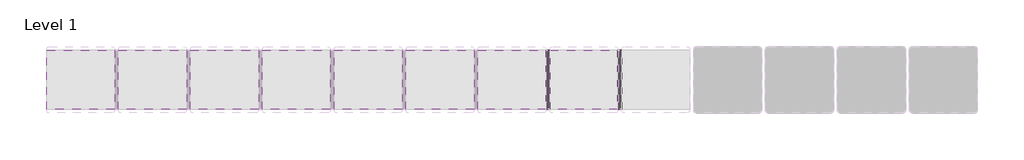
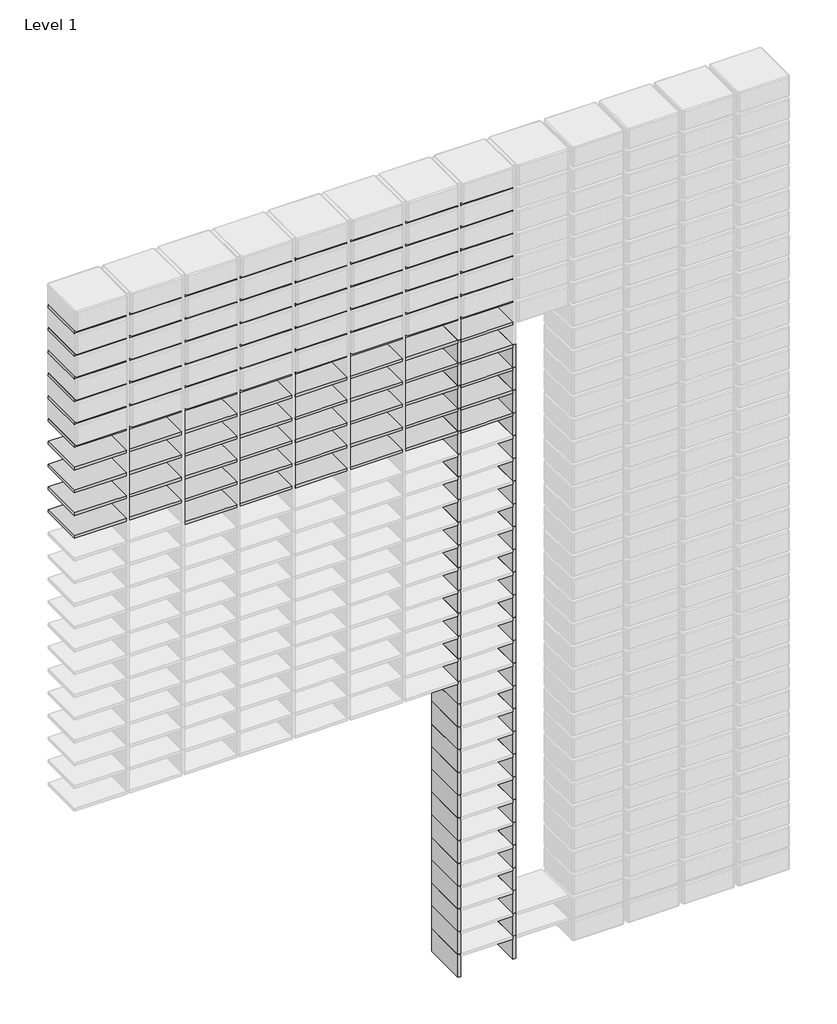
# One storey, part 20 of 69: 141 members.
"""IFC4 building model written with IfcOpenShell, lengths in millimetres."""

import ifcopenshell
import ifcopenshell.guid

model = None  # the IFC model being written
_history = None  # IfcOwnerHistory: only IFC2X3 demands one
_inside = {}  # id of a spatial element -> (the spatial element, [elements in it])
_under = {}  # id of a project, library or spatial element -> (it, [spatial elements below it])
_declared = {}  # id of a project -> (the project, [libraries it declares])
_typed = {}  # id of a type object -> (the type object, [elements of that type])
_made_of = {}  # id of a material, layer set ... -> (it, [elements and type objects made of it])


def new_model(schema):
    """Start an empty IFC model of exactly this schema.

    Asked for "IFC4X3", IfcOpenShell would pick the latest addendum, in which some entities
    have other attributes; the version numbers below select the first issue.
    IFC2X3 requires an IfcOwnerHistory on every rooted entity: one is made here for all.
    """
    global model, _history
    if schema == "IFC4X3":
        model = ifcopenshell.file(schema_version=(4, 3, 0, 0))
    else:
        model = ifcopenshell.file(schema=schema)
    _inside.clear()
    _under.clear()
    _declared.clear()
    _typed.clear()
    _made_of.clear()
    _history = None
    if model.schema == "IFC2X3":
        org = make("IfcOrganization", Name="unknown")
        user = make(
            "IfcPersonAndOrganization",
            ThePerson=make("IfcPerson", FamilyName="unknown"),
            TheOrganization=org,
        )
        app = make(
            "IfcApplication",
            ApplicationDeveloper=org,
            Version="unknown",
            ApplicationFullName="unknown",
            ApplicationIdentifier="unknown",
        )
        _history = make(
            "IfcOwnerHistory",
            OwningUser=user,
            OwningApplication=app,
            ChangeAction="ADDED",
            CreationDate=0,
        )
    return model


def make(cls, **values):
    """One entity of the class cls with the attributes given. An attribute that is None is left unset."""
    return model.create_entity(
        cls, **{name: value for name, value in values.items() if value is not None}
    )


def rooted(cls, **values):
    """An entity with a GlobalId (a new one), such as an element, a storey or a relation."""
    return make(cls, GlobalId=ifcopenshell.guid.new(), OwnerHistory=_history, **values)


def si_unit(unit_type, name, prefix=None):
    """IfcSIUnit, for example si_unit("LENGTHUNIT", "METRE", prefix="MILLI")."""
    return make("IfcSIUnit", UnitType=unit_type, Prefix=prefix, Name=name)


def assignment(units):
    """IfcUnitAssignment: the units of a project."""
    return None if units is None else make("IfcUnitAssignment", Units=units)


def point(xyz):
    """IfcCartesianPoint."""
    return None if xyz is None else make("IfcCartesianPoint", Coordinates=xyz)


def direction(xyz):
    """IfcDirection."""
    return None if xyz is None else make("IfcDirection", DirectionRatios=xyz)


def frame(location, z_axis=None, x_axis=None):
    """IfcAxis2Placement3D, a coordinate frame: its origin and axes. An axis left out is left unset."""
    return make(
        "IfcAxis2Placement3D",
        Location=point(location),
        Axis=direction(z_axis),
        RefDirection=direction(x_axis),
    )


def origin():
    """The frame at (0, 0, 0) with its axes left unset."""
    return frame((0.0, 0.0, 0.0))


def place(relative_to, where):
    """IfcLocalPlacement: puts the frame where relative to a parent placement (None: the world)."""
    return make(
        "IfcLocalPlacement", PlacementRelTo=relative_to, RelativePlacement=where
    )


def context(
    kind, dimensions, precision=None, world=None, true_north=None, identifier=None
):
    """IfcGeometricRepresentationContext, for example the 3D "Model" context."""
    return make(
        "IfcGeometricRepresentationContext",
        ContextIdentifier=identifier,
        ContextType=kind,
        CoordinateSpaceDimension=dimensions,
        Precision=precision,
        WorldCoordinateSystem=world,
        TrueNorth=true_north,
    )


def project(units=None, contexts=None):
    """IfcProject with its units and contexts."""
    return rooted(
        "IfcProject",
        Name="project",
        RepresentationContexts=contexts,
        UnitsInContext=assignment(units),
    )


def spatial(cls, under=None, at=None, **own):
    """A site, building, storey or space (cls), placed at a placement, below another one or the project."""
    s = rooted(cls, ObjectPlacement=at, **own)
    if under is not None:
        _under.setdefault(under.id(), (under, []))[1].append(s)
    return s


def polyline(points):
    """IfcPolyline through the points."""
    return make("IfcPolyline", Points=[point(p) for p in points])


def outline(outer, holes=None, kind="AREA"):
    """IfcArbitraryClosedProfileDef: a profile drawn as a closed curve; with holes, ...WithVoids."""
    if holes is None:
        return make("IfcArbitraryClosedProfileDef", ProfileType=kind, OuterCurve=outer)
    return make(
        "IfcArbitraryProfileDefWithVoids",
        ProfileType=kind,
        OuterCurve=outer,
        InnerCurves=holes,
    )


def extrude(swept, where, along, depth):
    """IfcExtrudedAreaSolid: the profile swept, set in the frame where, extruded along a direction by depth."""
    return make(
        "IfcExtrudedAreaSolid",
        SweptArea=swept,
        Position=where,
        ExtrudedDirection=direction(along),
        Depth=depth,
    )


def shape(context_of_items, identifier, shape_type, items):
    """IfcShapeRepresentation: the items that make up one representation, for example the "Body"."""
    return make(
        "IfcShapeRepresentation",
        ContextOfItems=context_of_items,
        RepresentationIdentifier=identifier,
        RepresentationType=shape_type,
        Items=items,
    )


def source(mapping_origin, context_of_items, identifier, shape_type, items):
    """IfcRepresentationMap: a shape defined once, which mapped items show again and again."""
    return make(
        "IfcRepresentationMap",
        MappingOrigin=mapping_origin,
        MappedRepresentation=shape(context_of_items, identifier, shape_type, items),
    )


def transform(
    local_origin,
    x_axis=None,
    y_axis=None,
    z_axis=None,
    scale=None,
    scale2=None,
    scale3=None,
    uniform=True,
):
    """IfcCartesianTransformationOperator3D, or its non-uniform kind. x_axis, y_axis, z_axis: its Axis1, 2, 3."""
    if uniform:
        return make(
            "IfcCartesianTransformationOperator3D",
            Axis1=direction(x_axis),
            Axis2=direction(y_axis),
            LocalOrigin=point(local_origin),
            Scale=scale,
            Axis3=direction(z_axis),
        )
    return make(
        "IfcCartesianTransformationOperator3DnonUniform",
        Axis1=direction(x_axis),
        Axis2=direction(y_axis),
        LocalOrigin=point(local_origin),
        Scale=scale,
        Axis3=direction(z_axis),
        Scale2=scale2,
        Scale3=scale3,
    )


def mapped(mapping_source, mapping_target):
    """IfcMappedItem: shows the shape of a source again, moved by a transform."""
    return make(
        "IfcMappedItem", MappingSource=mapping_source, MappingTarget=mapping_target
    )


def made_of(thing, what):
    """Note that an element or type object is made of a material, layer set ...; save() writes the relation."""
    if what is not None:
        _made_of.setdefault(what.id(), (what, []))[1].append(thing)
    return thing


def element(
    cls,
    number,
    at=None,
    inside=None,
    cuts=None,
    type_object=None,
    material=None,
    context=None,
    identifier="Body",
    shape_type=None,
    held_by="IfcProductDefinitionShape",
    body=None,
    shapes=None,
    **own,
):
    """One element of the class cls, such as IfcWall. Its Tag is "e" and its number.

    at: its placement. inside: the storey or other place that contains it. cuts: it is an
    opening in that element (IfcRelVoidsElement). A single representation is given by context,
    identifier, shape_type and body (its items); several are given by shapes. held_by: the class
    of the entity that holds the representations. save() writes the other relations.
    """
    e = rooted(cls, Tag="e%d" % number, ObjectPlacement=at, **own)
    if body is not None:
        shapes = [shape(context, identifier, shape_type, body)]
    if shapes is not None:
        e.Representation = make(held_by, Representations=shapes)
    if inside is not None:
        _inside.setdefault(inside.id(), (inside, []))[1].append(e)
    if cuts is not None:
        rooted(
            "IfcRelVoidsElement", RelatingBuildingElement=cuts, RelatedOpeningElement=e
        )
    if type_object is not None:
        _typed.setdefault(type_object.id(), (type_object, []))[1].append(e)
    return made_of(e, material)


def aggregate(whole, parts):
    """IfcRelAggregates: a whole, such as a stair, and the parts it consists of."""
    return rooted("IfcRelAggregates", RelatingObject=whole, RelatedObjects=parts)


def save(model, path):
    """Write the relations noted so far, then the file.

    IfcRelAggregates (storeys below a building ...), IfcRelContainedInSpatialStructure (elements
    in a storey), IfcRelDefinesByType, IfcRelAssociatesMaterial and IfcRelDeclares: one each for
    every whole, place, type object, material and project.
    """
    for whole, parts in _under.values():
        aggregate(whole, parts)
    for where, things in _inside.values():
        rooted(
            "IfcRelContainedInSpatialStructure",
            RelatedElements=things,
            RelatingStructure=where,
        )
    for kind, things in _typed.values():
        rooted("IfcRelDefinesByType", RelatedObjects=things, RelatingType=kind)
    for what, things in _made_of.values():
        rooted("IfcRelAssociatesMaterial", RelatedObjects=things, RelatingMaterial=what)
    for by, libraries in _declared.values():
        rooted("IfcRelDeclares", RelatingContext=by, RelatedDefinitions=libraries)
    model.write(path)


def rectangular_mullion_bfb7781d(model_context):
    return source(origin(), model_context, "Body", "SweptSolid", [
        extrude(outline(polyline([(0.0, 50.8), (0.0, -50.8), (-6.35, -50.8), (-6.35, 50.8), (0.0, 50.8)])), frame((0.0, 0.0, -53.975), z_axis=(0.0, 0.0, 1.0), x_axis=(1.0, 0.0, 0.0)), (0.0, 0.0, 1.0), 53.975),
    ])


def rectangular_mullion_260b316d(model_context):
    return source(origin(), model_context, "Body", "SweptSolid", [
        extrude(outline(polyline([(0.0, 50.8), (0.0, -50.8), (-6.35, -50.8), (-6.35, 50.8), (0.0, 50.8)])), frame((0.0, 0.0, -117.475), z_axis=(0.0, 0.0, 1.0), x_axis=(1.0, 0.0, 0.0)), (0.0, 0.0, 1.0), 117.475),
    ])


model = new_model("IFC4")

# Units and contexts
model_context = context("Model", 3, world=origin())
ifc_project = project(units=[si_unit("LENGTHUNIT", "METRE", prefix="MILLI")], contexts=[model_context])

# Site, building, storey
site = spatial("IfcSite", under=ifc_project)
building = spatial("IfcBuilding", under=site)
storey = spatial("IfcBuildingStorey", under=building, Name="Level 1", Elevation=0.0)

# Members
placement = place(None, origin())
rectangular_mullion_shape = rectangular_mullion_bfb7781d(model_context)
element("IfcMember", 1, ObjectType="Rectangular Mullion", at=placement, inside=storey, context=model_context, shape_type="MappedRepresentation", body=[
    mapped(rectangular_mullion_shape, transform((3812.7935515, 1505.1519435, 0.0), x_axis=(1.0, 0.0, 0.0), y_axis=(0.0, -1.0, 0.0), z_axis=(0.0, 0.0, -1.0))),
])
element("IfcMember", 2, ObjectType="Rectangular Mullion", at=placement, inside=storey, context=model_context, shape_type="MappedRepresentation", body=[
    mapped(rectangular_mullion_shape, transform((3936.6185515, 1505.1519435, 0.0), x_axis=(1.0, 0.0, 0.0), y_axis=(0.0, -1.0, 0.0), z_axis=(0.0, 0.0, -1.0))),
])
element("IfcMember", 3, ObjectType="Rectangular Mullion", at=placement, inside=storey, context=model_context, shape_type="MappedRepresentation", body=[
    mapped(rectangular_mullion_shape, transform((3812.7935515, 1505.1519435, 53.975), x_axis=(1.0, 0.0, 0.0), y_axis=(0.0, -1.0, 0.0), z_axis=(0.0, 0.0, -1.0))),
])
element("IfcMember", 4, ObjectType="Rectangular Mullion", at=placement, inside=storey, context=model_context, shape_type="MappedRepresentation", body=[
    mapped(rectangular_mullion_shape, transform((3936.6185515, 1505.1519435, 53.975), x_axis=(1.0, 0.0, 0.0), y_axis=(0.0, -1.0, 0.0), z_axis=(0.0, 0.0, -1.0))),
])
element("IfcMember", 5, ObjectType="Rectangular Mullion", at=placement, inside=storey, context=model_context, shape_type="MappedRepresentation", body=[
    mapped(rectangular_mullion_shape, transform((3812.7935515, 1505.1519435, 107.95), x_axis=(1.0, 0.0, 0.0), y_axis=(0.0, -1.0, 0.0), z_axis=(0.0, 0.0, -1.0))),
])
element("IfcMember", 6, ObjectType="Rectangular Mullion", at=placement, inside=storey, context=model_context, shape_type="MappedRepresentation", body=[
    mapped(rectangular_mullion_shape, transform((3936.6185515, 1505.1519435, 107.95), x_axis=(1.0, 0.0, 0.0), y_axis=(0.0, -1.0, 0.0), z_axis=(0.0, 0.0, -1.0))),
])
element("IfcMember", 7, ObjectType="Rectangular Mullion", at=placement, inside=storey, context=model_context, shape_type="MappedRepresentation", body=[
    mapped(rectangular_mullion_shape, transform((3812.7935515, 1505.1519435, 161.925), x_axis=(1.0, 0.0, 0.0), y_axis=(0.0, -1.0, 0.0), z_axis=(0.0, 0.0, -1.0))),
])
element("IfcMember", 8, ObjectType="Rectangular Mullion", at=placement, inside=storey, context=model_context, shape_type="MappedRepresentation", body=[
    mapped(rectangular_mullion_shape, transform((3936.6185515, 1505.1519435, 161.925), x_axis=(1.0, 0.0, 0.0), y_axis=(0.0, -1.0, 0.0), z_axis=(0.0, 0.0, -1.0))),
])
element("IfcMember", 9, ObjectType="Rectangular Mullion", at=placement, inside=storey, context=model_context, shape_type="MappedRepresentation", body=[
    mapped(rectangular_mullion_shape, transform((3812.7935515, 1505.1519435, 215.9), x_axis=(1.0, 0.0, 0.0), y_axis=(0.0, -1.0, 0.0), z_axis=(0.0, 0.0, -1.0))),
])
element("IfcMember", 10, ObjectType="Rectangular Mullion", at=placement, inside=storey, context=model_context, shape_type="MappedRepresentation", body=[
    mapped(rectangular_mullion_shape, transform((3936.6185515, 1505.1519435, 215.9), x_axis=(1.0, 0.0, 0.0), y_axis=(0.0, -1.0, 0.0), z_axis=(0.0, 0.0, -1.0))),
])
element("IfcMember", 11, ObjectType="Rectangular Mullion", at=placement, inside=storey, context=model_context, shape_type="MappedRepresentation", body=[
    mapped(rectangular_mullion_shape, transform((3812.7935515, 1505.1519435, 269.875), x_axis=(1.0, 0.0, 0.0), y_axis=(0.0, -1.0, 0.0), z_axis=(0.0, 0.0, -1.0))),
])
element("IfcMember", 12, ObjectType="Rectangular Mullion", at=placement, inside=storey, context=model_context, shape_type="MappedRepresentation", body=[
    mapped(rectangular_mullion_shape, transform((3936.6185515, 1505.1519435, 269.875), x_axis=(1.0, 0.0, 0.0), y_axis=(0.0, -1.0, 0.0), z_axis=(0.0, 0.0, -1.0))),
])
element("IfcMember", 13, ObjectType="Rectangular Mullion", at=placement, inside=storey, context=model_context, shape_type="MappedRepresentation", body=[
    mapped(rectangular_mullion_shape, transform((3812.7935515, 1505.1519435, 323.85), x_axis=(1.0, 0.0, 0.0), y_axis=(0.0, -1.0, 0.0), z_axis=(0.0, 0.0, -1.0))),
])
element("IfcMember", 14, ObjectType="Rectangular Mullion", at=placement, inside=storey, context=model_context, shape_type="MappedRepresentation", body=[
    mapped(rectangular_mullion_shape, transform((3936.6185515, 1505.1519435, 323.85), x_axis=(1.0, 0.0, 0.0), y_axis=(0.0, -1.0, 0.0), z_axis=(0.0, 0.0, -1.0))),
])
element("IfcMember", 15, ObjectType="Rectangular Mullion", at=placement, inside=storey, context=model_context, shape_type="MappedRepresentation", body=[
    mapped(rectangular_mullion_shape, transform((3812.7935515, 1505.1519435, 377.825), x_axis=(1.0, 0.0, 0.0), y_axis=(0.0, -1.0, 0.0), z_axis=(0.0, 0.0, -1.0))),
])
element("IfcMember", 16, ObjectType="Rectangular Mullion", at=placement, inside=storey, context=model_context, shape_type="MappedRepresentation", body=[
    mapped(rectangular_mullion_shape, transform((3936.6185515, 1505.1519435, 377.825), x_axis=(1.0, 0.0, 0.0), y_axis=(0.0, -1.0, 0.0), z_axis=(0.0, 0.0, -1.0))),
])
element("IfcMember", 17, ObjectType="Rectangular Mullion", at=placement, inside=storey, context=model_context, shape_type="MappedRepresentation", body=[
    mapped(rectangular_mullion_shape, transform((3812.7935515, 1505.1519435, 431.8), x_axis=(1.0, 0.0, 0.0), y_axis=(0.0, -1.0, 0.0), z_axis=(0.0, 0.0, -1.0))),
])
element("IfcMember", 18, ObjectType="Rectangular Mullion", at=placement, inside=storey, context=model_context, shape_type="MappedRepresentation", body=[
    mapped(rectangular_mullion_shape, transform((3936.6185515, 1505.1519435, 431.8), x_axis=(1.0, 0.0, 0.0), y_axis=(0.0, -1.0, 0.0), z_axis=(0.0, 0.0, -1.0))),
])
element("IfcMember", 19, ObjectType="Rectangular Mullion", at=placement, inside=storey, context=model_context, shape_type="MappedRepresentation", body=[
    mapped(rectangular_mullion_shape, transform((3812.7935515, 1505.1519435, 485.775), x_axis=(1.0, 0.0, 0.0), y_axis=(0.0, -1.0, 0.0), z_axis=(0.0, 0.0, -1.0))),
])
element("IfcMember", 20, ObjectType="Rectangular Mullion", at=placement, inside=storey, context=model_context, shape_type="MappedRepresentation", body=[
    mapped(rectangular_mullion_shape, transform((3936.6185515, 1505.1519435, 485.775), x_axis=(1.0, 0.0, 0.0), y_axis=(0.0, -1.0, 0.0), z_axis=(0.0, 0.0, -1.0))),
])
element("IfcMember", 21, ObjectType="Rectangular Mullion", at=placement, inside=storey, context=model_context, shape_type="MappedRepresentation", body=[
    mapped(rectangular_mullion_shape, transform((3812.7935515, 1505.1519435, 539.75), x_axis=(1.0, 0.0, 0.0), y_axis=(0.0, -1.0, 0.0), z_axis=(0.0, 0.0, -1.0))),
])
element("IfcMember", 22, ObjectType="Rectangular Mullion", at=placement, inside=storey, context=model_context, shape_type="MappedRepresentation", body=[
    mapped(rectangular_mullion_shape, transform((3936.6185515, 1505.1519435, 539.75), x_axis=(1.0, 0.0, 0.0), y_axis=(0.0, -1.0, 0.0), z_axis=(0.0, 0.0, -1.0))),
])
element("IfcMember", 23, ObjectType="Rectangular Mullion", at=placement, inside=storey, context=model_context, shape_type="MappedRepresentation", body=[
    mapped(rectangular_mullion_shape, transform((3812.7935515, 1505.1519435, 593.725), x_axis=(1.0, 0.0, 0.0), y_axis=(0.0, -1.0, 0.0), z_axis=(0.0, 0.0, -1.0))),
])
element("IfcMember", 24, ObjectType="Rectangular Mullion", at=placement, inside=storey, context=model_context, shape_type="MappedRepresentation", body=[
    mapped(rectangular_mullion_shape, transform((3936.6185515, 1505.1519435, 593.725), x_axis=(1.0, 0.0, 0.0), y_axis=(0.0, -1.0, 0.0), z_axis=(0.0, 0.0, -1.0))),
])
element("IfcMember", 25, ObjectType="Rectangular Mullion", at=placement, inside=storey, context=model_context, shape_type="MappedRepresentation", body=[
    mapped(rectangular_mullion_shape, transform((3812.7935515, 1505.1519435, 647.7), x_axis=(1.0, 0.0, 0.0), y_axis=(0.0, -1.0, 0.0), z_axis=(0.0, 0.0, -1.0))),
])
element("IfcMember", 26, ObjectType="Rectangular Mullion", at=placement, inside=storey, context=model_context, shape_type="MappedRepresentation", body=[
    mapped(rectangular_mullion_shape, transform((3936.6185515, 1505.1519435, 647.7), x_axis=(1.0, 0.0, 0.0), y_axis=(0.0, -1.0, 0.0), z_axis=(0.0, 0.0, -1.0))),
])
element("IfcMember", 27, ObjectType="Rectangular Mullion", at=placement, inside=storey, context=model_context, shape_type="MappedRepresentation", body=[
    mapped(rectangular_mullion_shape, transform((3812.7935515, 1505.1519435, 701.675), x_axis=(1.0, 0.0, 0.0), y_axis=(0.0, -1.0, 0.0), z_axis=(0.0, 0.0, -1.0))),
])
element("IfcMember", 28, ObjectType="Rectangular Mullion", at=placement, inside=storey, context=model_context, shape_type="MappedRepresentation", body=[
    mapped(rectangular_mullion_shape, transform((3936.6185515, 1505.1519435, 701.675), x_axis=(1.0, 0.0, 0.0), y_axis=(0.0, -1.0, 0.0), z_axis=(0.0, 0.0, -1.0))),
])
element("IfcMember", 29, ObjectType="Rectangular Mullion", at=placement, inside=storey, context=model_context, shape_type="MappedRepresentation", body=[
    mapped(rectangular_mullion_shape, transform((3812.7935515, 1505.1519435, 755.65), x_axis=(1.0, 0.0, 0.0), y_axis=(0.0, -1.0, 0.0), z_axis=(0.0, 0.0, -1.0))),
])
element("IfcMember", 30, ObjectType="Rectangular Mullion", at=placement, inside=storey, context=model_context, shape_type="MappedRepresentation", body=[
    mapped(rectangular_mullion_shape, transform((3936.6185515, 1505.1519435, 755.65), x_axis=(1.0, 0.0, 0.0), y_axis=(0.0, -1.0, 0.0), z_axis=(0.0, 0.0, -1.0))),
])
element("IfcMember", 31, ObjectType="Rectangular Mullion", at=placement, inside=storey, context=model_context, shape_type="MappedRepresentation", body=[
    mapped(rectangular_mullion_shape, transform((3812.7935515, 1505.1519435, 809.625), x_axis=(1.0, 0.0, 0.0), y_axis=(0.0, -1.0, 0.0), z_axis=(0.0, 0.0, -1.0))),
])
element("IfcMember", 32, ObjectType="Rectangular Mullion", at=placement, inside=storey, context=model_context, shape_type="MappedRepresentation", body=[
    mapped(rectangular_mullion_shape, transform((3936.6185515, 1505.1519435, 809.625), x_axis=(1.0, 0.0, 0.0), y_axis=(0.0, -1.0, 0.0), z_axis=(0.0, 0.0, -1.0))),
])
element("IfcMember", 33, ObjectType="Rectangular Mullion", at=placement, inside=storey, context=model_context, shape_type="MappedRepresentation", body=[
    mapped(rectangular_mullion_shape, transform((3812.7935515, 1505.1519435, 863.6), x_axis=(1.0, 0.0, 0.0), y_axis=(0.0, -1.0, 0.0), z_axis=(0.0, 0.0, -1.0))),
])
element("IfcMember", 34, ObjectType="Rectangular Mullion", at=placement, inside=storey, context=model_context, shape_type="MappedRepresentation", body=[
    mapped(rectangular_mullion_shape, transform((3936.6185515, 1505.1519435, 863.6), x_axis=(1.0, 0.0, 0.0), y_axis=(0.0, -1.0, 0.0), z_axis=(0.0, 0.0, -1.0))),
])
element("IfcMember", 35, ObjectType="Rectangular Mullion", at=placement, inside=storey, context=model_context, shape_type="MappedRepresentation", body=[
    mapped(rectangular_mullion_shape, transform((3812.7935515, 1505.1519435, 917.575), x_axis=(1.0, 0.0, 0.0), y_axis=(0.0, -1.0, 0.0), z_axis=(0.0, 0.0, -1.0))),
])
element("IfcMember", 36, ObjectType="Rectangular Mullion", at=placement, inside=storey, context=model_context, shape_type="MappedRepresentation", body=[
    mapped(rectangular_mullion_shape, transform((3936.6185515, 1505.1519435, 917.575), x_axis=(1.0, 0.0, 0.0), y_axis=(0.0, -1.0, 0.0), z_axis=(0.0, 0.0, -1.0))),
])
element("IfcMember", 37, ObjectType="Rectangular Mullion", at=placement, inside=storey, context=model_context, shape_type="MappedRepresentation", body=[
    mapped(rectangular_mullion_shape, transform((3812.7935515, 1505.1519435, 971.55), x_axis=(1.0, 0.0, 0.0), y_axis=(0.0, -1.0, 0.0), z_axis=(0.0, 0.0, -1.0))),
])
element("IfcMember", 38, ObjectType="Rectangular Mullion", at=placement, inside=storey, context=model_context, shape_type="MappedRepresentation", body=[
    mapped(rectangular_mullion_shape, transform((3936.6185515, 1505.1519435, 971.55), x_axis=(1.0, 0.0, 0.0), y_axis=(0.0, -1.0, 0.0), z_axis=(0.0, 0.0, -1.0))),
])
element("IfcMember", 39, ObjectType="Rectangular Mullion", at=placement, inside=storey, context=model_context, shape_type="MappedRepresentation", body=[
    mapped(rectangular_mullion_shape, transform((3812.7935515, 1505.1519435, 1025.525), x_axis=(1.0, 0.0, 0.0), y_axis=(0.0, -1.0, 0.0), z_axis=(0.0, 0.0, -1.0))),
])
element("IfcMember", 40, ObjectType="Rectangular Mullion", at=placement, inside=storey, context=model_context, shape_type="MappedRepresentation", body=[
    mapped(rectangular_mullion_shape, transform((3936.6185515, 1505.1519435, 1025.525), x_axis=(1.0, 0.0, 0.0), y_axis=(0.0, -1.0, 0.0), z_axis=(0.0, 0.0, -1.0))),
])
element("IfcMember", 41, ObjectType="Rectangular Mullion", at=placement, inside=storey, context=model_context, shape_type="MappedRepresentation", body=[
    mapped(rectangular_mullion_shape, transform((3812.7935515, 1505.1519435, 1079.5), x_axis=(1.0, 0.0, 0.0), y_axis=(0.0, -1.0, 0.0), z_axis=(0.0, 0.0, -1.0))),
])
element("IfcMember", 42, ObjectType="Rectangular Mullion", at=placement, inside=storey, context=model_context, shape_type="MappedRepresentation", body=[
    mapped(rectangular_mullion_shape, transform((3936.6185515, 1505.1519435, 1079.5), x_axis=(1.0, 0.0, 0.0), y_axis=(0.0, -1.0, 0.0), z_axis=(0.0, 0.0, -1.0))),
])
element("IfcMember", 43, ObjectType="Rectangular Mullion", at=placement, inside=storey, context=model_context, shape_type="MappedRepresentation", body=[
    mapped(rectangular_mullion_shape, transform((3812.7935515, 1505.1519435, 1133.475), x_axis=(1.0, 0.0, 0.0), y_axis=(0.0, -1.0, 0.0), z_axis=(0.0, 0.0, -1.0))),
])
element("IfcMember", 44, ObjectType="Rectangular Mullion", at=placement, inside=storey, context=model_context, shape_type="MappedRepresentation", body=[
    mapped(rectangular_mullion_shape, transform((3936.6185515, 1505.1519435, 1133.475), x_axis=(1.0, 0.0, 0.0), y_axis=(0.0, -1.0, 0.0), z_axis=(0.0, 0.0, -1.0))),
])
element("IfcMember", 45, ObjectType="Rectangular Mullion", at=placement, inside=storey, context=model_context, shape_type="MappedRepresentation", body=[
    mapped(rectangular_mullion_shape, transform((3812.7935515, 1505.1519435, 1187.45), x_axis=(1.0, 0.0, 0.0), y_axis=(0.0, -1.0, 0.0), z_axis=(0.0, 0.0, -1.0))),
])
element("IfcMember", 46, ObjectType="Rectangular Mullion", at=placement, inside=storey, context=model_context, shape_type="MappedRepresentation", body=[
    mapped(rectangular_mullion_shape, transform((3936.6185515, 1505.1519435, 1187.45), x_axis=(1.0, 0.0, 0.0), y_axis=(0.0, -1.0, 0.0), z_axis=(0.0, 0.0, -1.0))),
])
element("IfcMember", 47, ObjectType="Rectangular Mullion", at=placement, inside=storey, context=model_context, shape_type="MappedRepresentation", body=[
    mapped(rectangular_mullion_shape, transform((3812.7935515, 1505.1519435, 1241.425), x_axis=(1.0, 0.0, 0.0), y_axis=(0.0, -1.0, 0.0), z_axis=(0.0, 0.0, -1.0))),
])
element("IfcMember", 48, ObjectType="Rectangular Mullion", at=placement, inside=storey, context=model_context, shape_type="MappedRepresentation", body=[
    mapped(rectangular_mullion_shape, transform((3936.6185515, 1505.1519435, 1241.425), x_axis=(1.0, 0.0, 0.0), y_axis=(0.0, -1.0, 0.0), z_axis=(0.0, 0.0, -1.0))),
])
element("IfcMember", 49, ObjectType="Rectangular Mullion", at=placement, inside=storey, context=model_context, shape_type="MappedRepresentation", body=[
    mapped(rectangular_mullion_shape, transform((3812.7935515, 1505.1519435, 1295.4), x_axis=(1.0, 0.0, 0.0), y_axis=(0.0, -1.0, 0.0), z_axis=(0.0, 0.0, -1.0))),
])
element("IfcMember", 50, ObjectType="Rectangular Mullion", at=placement, inside=storey, context=model_context, shape_type="MappedRepresentation", body=[
    mapped(rectangular_mullion_shape, transform((3936.6185515, 1505.1519435, 1295.4), x_axis=(1.0, 0.0, 0.0), y_axis=(0.0, -1.0, 0.0), z_axis=(0.0, 0.0, -1.0))),
])
element("IfcMember", 51, ObjectType="Rectangular Mullion", at=placement, inside=storey, context=model_context, shape_type="MappedRepresentation", body=[
    mapped(rectangular_mullion_shape, transform((3812.7935515, 1505.1519435, 1349.375), x_axis=(1.0, 0.0, 0.0), y_axis=(0.0, -1.0, 0.0), z_axis=(0.0, 0.0, -1.0))),
])
element("IfcMember", 52, ObjectType="Rectangular Mullion", at=placement, inside=storey, context=model_context, shape_type="MappedRepresentation", body=[
    mapped(rectangular_mullion_shape, transform((3936.6185515, 1505.1519435, 1349.375), x_axis=(1.0, 0.0, 0.0), y_axis=(0.0, -1.0, 0.0), z_axis=(0.0, 0.0, -1.0))),
])
element("IfcMember", 53, ObjectType="Rectangular Mullion", at=placement, inside=storey, context=model_context, shape_type="MappedRepresentation", body=[
    mapped(rectangular_mullion_shape, transform((3812.7935515, 1505.1519435, 1403.35), x_axis=(1.0, 0.0, 0.0), y_axis=(0.0, -1.0, 0.0), z_axis=(0.0, 0.0, -1.0))),
])
element("IfcMember", 54, ObjectType="Rectangular Mullion", at=placement, inside=storey, context=model_context, shape_type="MappedRepresentation", body=[
    mapped(rectangular_mullion_shape, transform((3936.6185515, 1505.1519435, 1403.35), x_axis=(1.0, 0.0, 0.0), y_axis=(0.0, -1.0, 0.0), z_axis=(0.0, 0.0, -1.0))),
])
element("IfcMember", 55, ObjectType="Rectangular Mullion", at=placement, inside=storey, context=model_context, shape_type="MappedRepresentation", body=[
    mapped(rectangular_mullion_shape, transform((3812.7935515, 1505.1519435, 1457.325), x_axis=(1.0, 0.0, 0.0), y_axis=(0.0, -1.0, 0.0), z_axis=(0.0, 0.0, -1.0))),
])
rectangular_mullion_2_shape = rectangular_mullion_260b316d(model_context)
element("IfcMember", 56, ObjectType="Rectangular Mullion", at=placement, inside=storey, context=model_context, shape_type="MappedRepresentation", body=[
    mapped(rectangular_mullion_2_shape, transform((3311.1435515, 1505.1519435, 1295.4), x_axis=(0.0, 0.0, 1.0), y_axis=(0.0, -1.0, 0.0), z_axis=(1.0, 0.0, 0.0))),
])
element("IfcMember", 57, ObjectType="Rectangular Mullion", at=placement, inside=storey, context=model_context, shape_type="MappedRepresentation", body=[
    mapped(rectangular_mullion_2_shape, transform((3434.9685515, 1505.1519435, 1295.4), x_axis=(0.0, 0.0, 1.0), y_axis=(0.0, -1.0, 0.0), z_axis=(1.0, 0.0, 0.0))),
])
element("IfcMember", 58, ObjectType="Rectangular Mullion", at=placement, inside=storey, context=model_context, shape_type="MappedRepresentation", body=[
    mapped(rectangular_mullion_2_shape, transform((3558.7935515, 1505.1519435, 1295.4), x_axis=(0.0, 0.0, 1.0), y_axis=(0.0, -1.0, 0.0), z_axis=(1.0, 0.0, 0.0))),
])
element("IfcMember", 59, ObjectType="Rectangular Mullion", at=placement, inside=storey, context=model_context, shape_type="MappedRepresentation", body=[
    mapped(rectangular_mullion_2_shape, transform((3682.6185515, 1505.1519435, 1295.4), x_axis=(0.0, 0.0, 1.0), y_axis=(0.0, -1.0, 0.0), z_axis=(1.0, 0.0, 0.0))),
])
element("IfcMember", 60, ObjectType="Rectangular Mullion", at=placement, inside=storey, context=model_context, shape_type="MappedRepresentation", body=[
    mapped(rectangular_mullion_2_shape, transform((3806.4435515, 1505.1519435, 1295.4), x_axis=(0.0, 0.0, 1.0), y_axis=(0.0, -1.0, 0.0), z_axis=(1.0, 0.0, 0.0))),
])
element("IfcMember", 61, ObjectType="Rectangular Mullion", at=placement, inside=storey, context=model_context, shape_type="MappedRepresentation", body=[
    mapped(rectangular_mullion_2_shape, transform((3930.2685515, 1505.1519435, 1295.4), x_axis=(0.0, 0.0, 1.0), y_axis=(0.0, -1.0, 0.0), z_axis=(1.0, 0.0, 0.0))),
])
element("IfcMember", 62, ObjectType="Rectangular Mullion", at=placement, inside=storey, context=model_context, shape_type="MappedRepresentation", body=[
    mapped(rectangular_mullion_2_shape, transform((3063.4935515, 1505.1519435, 1349.375), x_axis=(0.0, 0.0, 1.0), y_axis=(0.0, -1.0, 0.0), z_axis=(1.0, 0.0, 0.0))),
])
element("IfcMember", 63, ObjectType="Rectangular Mullion", at=placement, inside=storey, context=model_context, shape_type="MappedRepresentation", body=[
    mapped(rectangular_mullion_2_shape, transform((3187.3185515, 1505.1519435, 1349.375), x_axis=(0.0, 0.0, 1.0), y_axis=(0.0, -1.0, 0.0), z_axis=(1.0, 0.0, 0.0))),
])
element("IfcMember", 64, ObjectType="Rectangular Mullion", at=placement, inside=storey, context=model_context, shape_type="MappedRepresentation", body=[
    mapped(rectangular_mullion_2_shape, transform((3311.1435515, 1505.1519435, 1349.375), x_axis=(0.0, 0.0, 1.0), y_axis=(0.0, -1.0, 0.0), z_axis=(1.0, 0.0, 0.0))),
])
element("IfcMember", 65, ObjectType="Rectangular Mullion", at=placement, inside=storey, context=model_context, shape_type="MappedRepresentation", body=[
    mapped(rectangular_mullion_2_shape, transform((3434.9685515, 1505.1519435, 1349.375), x_axis=(0.0, 0.0, 1.0), y_axis=(0.0, -1.0, 0.0), z_axis=(1.0, 0.0, 0.0))),
])
element("IfcMember", 66, ObjectType="Rectangular Mullion", at=placement, inside=storey, context=model_context, shape_type="MappedRepresentation", body=[
    mapped(rectangular_mullion_2_shape, transform((3558.7935515, 1505.1519435, 1349.375), x_axis=(0.0, 0.0, 1.0), y_axis=(0.0, -1.0, 0.0), z_axis=(1.0, 0.0, 0.0))),
])
element("IfcMember", 67, ObjectType="Rectangular Mullion", at=placement, inside=storey, context=model_context, shape_type="MappedRepresentation", body=[
    mapped(rectangular_mullion_2_shape, transform((3682.6185515, 1505.1519435, 1349.375), x_axis=(0.0, 0.0, 1.0), y_axis=(0.0, -1.0, 0.0), z_axis=(1.0, 0.0, 0.0))),
])
element("IfcMember", 68, ObjectType="Rectangular Mullion", at=placement, inside=storey, context=model_context, shape_type="MappedRepresentation", body=[
    mapped(rectangular_mullion_2_shape, transform((3806.4435515, 1505.1519435, 1349.375), x_axis=(0.0, 0.0, 1.0), y_axis=(0.0, -1.0, 0.0), z_axis=(1.0, 0.0, 0.0))),
])
element("IfcMember", 69, ObjectType="Rectangular Mullion", at=placement, inside=storey, context=model_context, shape_type="MappedRepresentation", body=[
    mapped(rectangular_mullion_2_shape, transform((3930.2685515, 1505.1519435, 1349.375), x_axis=(0.0, 0.0, 1.0), y_axis=(0.0, -1.0, 0.0), z_axis=(1.0, 0.0, 0.0))),
])
element("IfcMember", 70, ObjectType="Rectangular Mullion", at=placement, inside=storey, context=model_context, shape_type="MappedRepresentation", body=[
    mapped(rectangular_mullion_2_shape, transform((3063.4935515, 1505.1519435, 1403.35), x_axis=(0.0, 0.0, 1.0), y_axis=(0.0, -1.0, 0.0), z_axis=(1.0, 0.0, 0.0))),
])
element("IfcMember", 71, ObjectType="Rectangular Mullion", at=placement, inside=storey, context=model_context, shape_type="MappedRepresentation", body=[
    mapped(rectangular_mullion_2_shape, transform((3187.3185515, 1505.1519435, 1403.35), x_axis=(0.0, 0.0, 1.0), y_axis=(0.0, -1.0, 0.0), z_axis=(1.0, 0.0, 0.0))),
])
element("IfcMember", 72, ObjectType="Rectangular Mullion", at=placement, inside=storey, context=model_context, shape_type="MappedRepresentation", body=[
    mapped(rectangular_mullion_2_shape, transform((3311.1435515, 1505.1519435, 1403.35), x_axis=(0.0, 0.0, 1.0), y_axis=(0.0, -1.0, 0.0), z_axis=(1.0, 0.0, 0.0))),
])
element("IfcMember", 73, ObjectType="Rectangular Mullion", at=placement, inside=storey, context=model_context, shape_type="MappedRepresentation", body=[
    mapped(rectangular_mullion_2_shape, transform((3434.9685515, 1505.1519435, 1403.35), x_axis=(0.0, 0.0, 1.0), y_axis=(0.0, -1.0, 0.0), z_axis=(1.0, 0.0, 0.0))),
])
element("IfcMember", 74, ObjectType="Rectangular Mullion", at=placement, inside=storey, context=model_context, shape_type="MappedRepresentation", body=[
    mapped(rectangular_mullion_2_shape, transform((3558.7935515, 1505.1519435, 1403.35), x_axis=(0.0, 0.0, 1.0), y_axis=(0.0, -1.0, 0.0), z_axis=(1.0, 0.0, 0.0))),
])
element("IfcMember", 75, ObjectType="Rectangular Mullion", at=placement, inside=storey, context=model_context, shape_type="MappedRepresentation", body=[
    mapped(rectangular_mullion_2_shape, transform((3682.6185515, 1505.1519435, 1403.35), x_axis=(0.0, 0.0, 1.0), y_axis=(0.0, -1.0, 0.0), z_axis=(1.0, 0.0, 0.0))),
])
element("IfcMember", 76, ObjectType="Rectangular Mullion", at=placement, inside=storey, context=model_context, shape_type="MappedRepresentation", body=[
    mapped(rectangular_mullion_2_shape, transform((3806.4435515, 1505.1519435, 1403.35), x_axis=(0.0, 0.0, 1.0), y_axis=(0.0, -1.0, 0.0), z_axis=(1.0, 0.0, 0.0))),
])
element("IfcMember", 77, ObjectType="Rectangular Mullion", at=placement, inside=storey, context=model_context, shape_type="MappedRepresentation", body=[
    mapped(rectangular_mullion_2_shape, transform((3930.2685515, 1505.1519435, 1403.35), x_axis=(0.0, 0.0, 1.0), y_axis=(0.0, -1.0, 0.0), z_axis=(1.0, 0.0, 0.0))),
])
element("IfcMember", 78, ObjectType="Rectangular Mullion", at=placement, inside=storey, context=model_context, shape_type="MappedRepresentation", body=[
    mapped(rectangular_mullion_2_shape, transform((3063.4935515, 1505.1519435, 1457.325), x_axis=(0.0, 0.0, 1.0), y_axis=(0.0, -1.0, 0.0), z_axis=(1.0, 0.0, 0.0))),
])
element("IfcMember", 79, ObjectType="Rectangular Mullion", at=placement, inside=storey, context=model_context, shape_type="MappedRepresentation", body=[
    mapped(rectangular_mullion_2_shape, transform((3187.3185515, 1505.1519435, 1457.325), x_axis=(0.0, 0.0, 1.0), y_axis=(0.0, -1.0, 0.0), z_axis=(1.0, 0.0, 0.0))),
])
element("IfcMember", 80, ObjectType="Rectangular Mullion", at=placement, inside=storey, context=model_context, shape_type="MappedRepresentation", body=[
    mapped(rectangular_mullion_2_shape, transform((3311.1435515, 1505.1519435, 1457.325), x_axis=(0.0, 0.0, 1.0), y_axis=(0.0, -1.0, 0.0), z_axis=(1.0, 0.0, 0.0))),
])
element("IfcMember", 81, ObjectType="Rectangular Mullion", at=placement, inside=storey, context=model_context, shape_type="MappedRepresentation", body=[
    mapped(rectangular_mullion_2_shape, transform((3434.9685515, 1505.1519435, 1457.325), x_axis=(0.0, 0.0, 1.0), y_axis=(0.0, -1.0, 0.0), z_axis=(1.0, 0.0, 0.0))),
])
element("IfcMember", 82, ObjectType="Rectangular Mullion", at=placement, inside=storey, context=model_context, shape_type="MappedRepresentation", body=[
    mapped(rectangular_mullion_2_shape, transform((3558.7935515, 1505.1519435, 1457.325), x_axis=(0.0, 0.0, 1.0), y_axis=(0.0, -1.0, 0.0), z_axis=(1.0, 0.0, 0.0))),
])
element("IfcMember", 83, ObjectType="Rectangular Mullion", at=placement, inside=storey, context=model_context, shape_type="MappedRepresentation", body=[
    mapped(rectangular_mullion_2_shape, transform((3682.6185515, 1505.1519435, 1457.325), x_axis=(0.0, 0.0, 1.0), y_axis=(0.0, -1.0, 0.0), z_axis=(1.0, 0.0, 0.0))),
])
element("IfcMember", 84, ObjectType="Rectangular Mullion", at=placement, inside=storey, context=model_context, shape_type="MappedRepresentation", body=[
    mapped(rectangular_mullion_2_shape, transform((3806.4435515, 1505.1519435, 1457.325), x_axis=(0.0, 0.0, 1.0), y_axis=(0.0, -1.0, 0.0), z_axis=(1.0, 0.0, 0.0))),
])
element("IfcMember", 85, ObjectType="Rectangular Mullion", at=placement, inside=storey, context=model_context, shape_type="MappedRepresentation", body=[
    mapped(rectangular_mullion_2_shape, transform((3930.2685515, 1505.1519435, 1457.325), x_axis=(0.0, 0.0, 1.0), y_axis=(0.0, -1.0, 0.0), z_axis=(1.0, 0.0, 0.0))),
])
element("IfcMember", 86, ObjectType="Rectangular Mullion", at=placement, inside=storey, context=model_context, shape_type="MappedRepresentation", body=[
    mapped(rectangular_mullion_2_shape, transform((3063.4935515, 1505.1519435, 1511.3), x_axis=(0.0, 0.0, 1.0), y_axis=(0.0, -1.0, 0.0), z_axis=(1.0, 0.0, 0.0))),
])
element("IfcMember", 87, ObjectType="Rectangular Mullion", at=placement, inside=storey, context=model_context, shape_type="MappedRepresentation", body=[
    mapped(rectangular_mullion_2_shape, transform((3187.3185515, 1505.1519435, 1511.3), x_axis=(0.0, 0.0, 1.0), y_axis=(0.0, -1.0, 0.0), z_axis=(1.0, 0.0, 0.0))),
])
element("IfcMember", 88, ObjectType="Rectangular Mullion", at=placement, inside=storey, context=model_context, shape_type="MappedRepresentation", body=[
    mapped(rectangular_mullion_2_shape, transform((3311.1435515, 1505.1519435, 1511.3), x_axis=(0.0, 0.0, 1.0), y_axis=(0.0, -1.0, 0.0), z_axis=(1.0, 0.0, 0.0))),
])
element("IfcMember", 89, ObjectType="Rectangular Mullion", at=placement, inside=storey, context=model_context, shape_type="MappedRepresentation", body=[
    mapped(rectangular_mullion_2_shape, transform((3434.9685515, 1505.1519435, 1511.3), x_axis=(0.0, 0.0, 1.0), y_axis=(0.0, -1.0, 0.0), z_axis=(1.0, 0.0, 0.0))),
])
element("IfcMember", 90, ObjectType="Rectangular Mullion", at=placement, inside=storey, context=model_context, shape_type="MappedRepresentation", body=[
    mapped(rectangular_mullion_2_shape, transform((3558.7935515, 1505.1519435, 1511.3), x_axis=(0.0, 0.0, 1.0), y_axis=(0.0, -1.0, 0.0), z_axis=(1.0, 0.0, 0.0))),
])
element("IfcMember", 91, ObjectType="Rectangular Mullion", at=placement, inside=storey, context=model_context, shape_type="MappedRepresentation", body=[
    mapped(rectangular_mullion_2_shape, transform((3682.6185515, 1505.1519435, 1511.3), x_axis=(0.0, 0.0, 1.0), y_axis=(0.0, -1.0, 0.0), z_axis=(1.0, 0.0, 0.0))),
])
element("IfcMember", 92, ObjectType="Rectangular Mullion", at=placement, inside=storey, context=model_context, shape_type="MappedRepresentation", body=[
    mapped(rectangular_mullion_2_shape, transform((3806.4435515, 1505.1519435, 1511.3), x_axis=(0.0, 0.0, 1.0), y_axis=(0.0, -1.0, 0.0), z_axis=(1.0, 0.0, 0.0))),
])
element("IfcMember", 93, ObjectType="Rectangular Mullion", at=placement, inside=storey, context=model_context, shape_type="MappedRepresentation", body=[
    mapped(rectangular_mullion_2_shape, transform((3930.2685515, 1505.1519435, 1511.3), x_axis=(0.0, 0.0, 1.0), y_axis=(0.0, -1.0, 0.0), z_axis=(1.0, 0.0, 0.0))),
])
element("IfcMember", 94, ObjectType="Rectangular Mullion", at=placement, inside=storey, context=model_context, shape_type="MappedRepresentation", body=[
    mapped(rectangular_mullion_2_shape, transform((3063.4935515, 1505.1519435, 1565.275), x_axis=(0.0, 0.0, 1.0), y_axis=(0.0, -1.0, 0.0), z_axis=(1.0, 0.0, 0.0))),
])
element("IfcMember", 95, ObjectType="Rectangular Mullion", at=placement, inside=storey, context=model_context, shape_type="MappedRepresentation", body=[
    mapped(rectangular_mullion_2_shape, transform((3187.3185515, 1505.1519435, 1565.275), x_axis=(0.0, 0.0, 1.0), y_axis=(0.0, -1.0, 0.0), z_axis=(1.0, 0.0, 0.0))),
])
element("IfcMember", 96, ObjectType="Rectangular Mullion", at=placement, inside=storey, context=model_context, shape_type="MappedRepresentation", body=[
    mapped(rectangular_mullion_2_shape, transform((3311.1435515, 1505.1519435, 1565.275), x_axis=(0.0, 0.0, 1.0), y_axis=(0.0, -1.0, 0.0), z_axis=(1.0, 0.0, 0.0))),
])
element("IfcMember", 97, ObjectType="Rectangular Mullion", at=placement, inside=storey, context=model_context, shape_type="MappedRepresentation", body=[
    mapped(rectangular_mullion_2_shape, transform((3434.9685515, 1505.1519435, 1565.275), x_axis=(0.0, 0.0, 1.0), y_axis=(0.0, -1.0, 0.0), z_axis=(1.0, 0.0, 0.0))),
])
element("IfcMember", 98, ObjectType="Rectangular Mullion", at=placement, inside=storey, context=model_context, shape_type="MappedRepresentation", body=[
    mapped(rectangular_mullion_2_shape, transform((3558.7935515, 1505.1519435, 1565.275), x_axis=(0.0, 0.0, 1.0), y_axis=(0.0, -1.0, 0.0), z_axis=(1.0, 0.0, 0.0))),
])
element("IfcMember", 99, ObjectType="Rectangular Mullion", at=placement, inside=storey, context=model_context, shape_type="MappedRepresentation", body=[
    mapped(rectangular_mullion_2_shape, transform((3682.6185515, 1505.1519435, 1565.275), x_axis=(0.0, 0.0, 1.0), y_axis=(0.0, -1.0, 0.0), z_axis=(1.0, 0.0, 0.0))),
])
element("IfcMember", 100, ObjectType="Rectangular Mullion", at=placement, inside=storey, context=model_context, shape_type="MappedRepresentation", body=[
    mapped(rectangular_mullion_2_shape, transform((3806.4435515, 1505.1519435, 1565.275), x_axis=(0.0, 0.0, 1.0), y_axis=(0.0, -1.0, 0.0), z_axis=(1.0, 0.0, 0.0))),
])
element("IfcMember", 101, ObjectType="Rectangular Mullion", at=placement, inside=storey, context=model_context, shape_type="MappedRepresentation", body=[
    mapped(rectangular_mullion_2_shape, transform((3930.2685515, 1505.1519435, 1565.275), x_axis=(0.0, 0.0, 1.0), y_axis=(0.0, -1.0, 0.0), z_axis=(1.0, 0.0, 0.0))),
])
element("IfcMember", 102, ObjectType="Rectangular Mullion", at=placement, inside=storey, context=model_context, shape_type="MappedRepresentation", body=[
    mapped(rectangular_mullion_2_shape, transform((3063.4935515, 1505.1519435, 1619.25), x_axis=(0.0, 0.0, 1.0), y_axis=(0.0, -1.0, 0.0), z_axis=(1.0, 0.0, 0.0))),
])
element("IfcMember", 103, ObjectType="Rectangular Mullion", at=placement, inside=storey, context=model_context, shape_type="MappedRepresentation", body=[
    mapped(rectangular_mullion_2_shape, transform((3187.3185515, 1505.1519435, 1619.25), x_axis=(0.0, 0.0, 1.0), y_axis=(0.0, -1.0, 0.0), z_axis=(1.0, 0.0, 0.0))),
])
element("IfcMember", 104, ObjectType="Rectangular Mullion", at=placement, inside=storey, context=model_context, shape_type="MappedRepresentation", body=[
    mapped(rectangular_mullion_2_shape, transform((3311.1435515, 1505.1519435, 1619.25), x_axis=(0.0, 0.0, 1.0), y_axis=(0.0, -1.0, 0.0), z_axis=(1.0, 0.0, 0.0))),
])
element("IfcMember", 105, ObjectType="Rectangular Mullion", at=placement, inside=storey, context=model_context, shape_type="MappedRepresentation", body=[
    mapped(rectangular_mullion_2_shape, transform((3434.9685515, 1505.1519435, 1619.25), x_axis=(0.0, 0.0, 1.0), y_axis=(0.0, -1.0, 0.0), z_axis=(1.0, 0.0, 0.0))),
])
element("IfcMember", 106, ObjectType="Rectangular Mullion", at=placement, inside=storey, context=model_context, shape_type="MappedRepresentation", body=[
    mapped(rectangular_mullion_2_shape, transform((3558.7935515, 1505.1519435, 1619.25), x_axis=(0.0, 0.0, 1.0), y_axis=(0.0, -1.0, 0.0), z_axis=(1.0, 0.0, 0.0))),
])
element("IfcMember", 107, ObjectType="Rectangular Mullion", at=placement, inside=storey, context=model_context, shape_type="MappedRepresentation", body=[
    mapped(rectangular_mullion_2_shape, transform((3682.6185515, 1505.1519435, 1619.25), x_axis=(0.0, 0.0, 1.0), y_axis=(0.0, -1.0, 0.0), z_axis=(1.0, 0.0, 0.0))),
])
element("IfcMember", 108, ObjectType="Rectangular Mullion", at=placement, inside=storey, context=model_context, shape_type="MappedRepresentation", body=[
    mapped(rectangular_mullion_2_shape, transform((3806.4435515, 1505.1519435, 1619.25), x_axis=(0.0, 0.0, 1.0), y_axis=(0.0, -1.0, 0.0), z_axis=(1.0, 0.0, 0.0))),
])
element("IfcMember", 109, ObjectType="Rectangular Mullion", at=placement, inside=storey, context=model_context, shape_type="MappedRepresentation", body=[
    mapped(rectangular_mullion_2_shape, transform((3930.2685515, 1505.1519435, 1619.25), x_axis=(0.0, 0.0, 1.0), y_axis=(0.0, -1.0, 0.0), z_axis=(1.0, 0.0, 0.0))),
])
element("IfcMember", 110, ObjectType="Rectangular Mullion", at=placement, inside=storey, context=model_context, shape_type="MappedRepresentation", body=[
    mapped(rectangular_mullion_2_shape, transform((3063.4935515, 1505.1519435, 1673.225), x_axis=(0.0, 0.0, 1.0), y_axis=(0.0, -1.0, 0.0), z_axis=(1.0, 0.0, 0.0))),
])
element("IfcMember", 111, ObjectType="Rectangular Mullion", at=placement, inside=storey, context=model_context, shape_type="MappedRepresentation", body=[
    mapped(rectangular_mullion_2_shape, transform((3187.3185515, 1505.1519435, 1673.225), x_axis=(0.0, 0.0, 1.0), y_axis=(0.0, -1.0, 0.0), z_axis=(1.0, 0.0, 0.0))),
])
element("IfcMember", 112, ObjectType="Rectangular Mullion", at=placement, inside=storey, context=model_context, shape_type="MappedRepresentation", body=[
    mapped(rectangular_mullion_2_shape, transform((3311.1435515, 1505.1519435, 1673.225), x_axis=(0.0, 0.0, 1.0), y_axis=(0.0, -1.0, 0.0), z_axis=(1.0, 0.0, 0.0))),
])
element("IfcMember", 113, ObjectType="Rectangular Mullion", at=placement, inside=storey, context=model_context, shape_type="MappedRepresentation", body=[
    mapped(rectangular_mullion_2_shape, transform((3434.9685515, 1505.1519435, 1673.225), x_axis=(0.0, 0.0, 1.0), y_axis=(0.0, -1.0, 0.0), z_axis=(1.0, 0.0, 0.0))),
])
element("IfcMember", 114, ObjectType="Rectangular Mullion", at=placement, inside=storey, context=model_context, shape_type="MappedRepresentation", body=[
    mapped(rectangular_mullion_2_shape, transform((3558.7935515, 1505.1519435, 1673.225), x_axis=(0.0, 0.0, 1.0), y_axis=(0.0, -1.0, 0.0), z_axis=(1.0, 0.0, 0.0))),
])
element("IfcMember", 115, ObjectType="Rectangular Mullion", at=placement, inside=storey, context=model_context, shape_type="MappedRepresentation", body=[
    mapped(rectangular_mullion_2_shape, transform((3682.6185515, 1505.1519435, 1673.225), x_axis=(0.0, 0.0, 1.0), y_axis=(0.0, -1.0, 0.0), z_axis=(1.0, 0.0, 0.0))),
])
element("IfcMember", 116, ObjectType="Rectangular Mullion", at=placement, inside=storey, context=model_context, shape_type="MappedRepresentation", body=[
    mapped(rectangular_mullion_2_shape, transform((3806.4435515, 1505.1519435, 1673.225), x_axis=(0.0, 0.0, 1.0), y_axis=(0.0, -1.0, 0.0), z_axis=(1.0, 0.0, 0.0))),
])
element("IfcMember", 117, ObjectType="Rectangular Mullion", at=placement, inside=storey, context=model_context, shape_type="MappedRepresentation", body=[
    mapped(rectangular_mullion_2_shape, transform((3930.2685515, 1505.1519435, 1673.225), x_axis=(0.0, 0.0, 1.0), y_axis=(0.0, -1.0, 0.0), z_axis=(1.0, 0.0, 0.0))),
])
element("IfcMember", 118, ObjectType="Rectangular Mullion", at=placement, inside=storey, context=model_context, shape_type="MappedRepresentation", body=[
    mapped(rectangular_mullion_2_shape, transform((3063.4935515, 1505.1519435, 1727.2), x_axis=(0.0, 0.0, 1.0), y_axis=(0.0, -1.0, 0.0), z_axis=(1.0, 0.0, 0.0))),
])
element("IfcMember", 119, ObjectType="Rectangular Mullion", at=placement, inside=storey, context=model_context, shape_type="MappedRepresentation", body=[
    mapped(rectangular_mullion_2_shape, transform((3187.3185515, 1505.1519435, 1727.2), x_axis=(0.0, 0.0, 1.0), y_axis=(0.0, -1.0, 0.0), z_axis=(1.0, 0.0, 0.0))),
])
element("IfcMember", 120, ObjectType="Rectangular Mullion", at=placement, inside=storey, context=model_context, shape_type="MappedRepresentation", body=[
    mapped(rectangular_mullion_2_shape, transform((3311.1435515, 1505.1519435, 1727.2), x_axis=(0.0, 0.0, 1.0), y_axis=(0.0, -1.0, 0.0), z_axis=(1.0, 0.0, 0.0))),
])
element("IfcMember", 121, ObjectType="Rectangular Mullion", at=placement, inside=storey, context=model_context, shape_type="MappedRepresentation", body=[
    mapped(rectangular_mullion_2_shape, transform((3434.9685515, 1505.1519435, 1727.2), x_axis=(0.0, 0.0, 1.0), y_axis=(0.0, -1.0, 0.0), z_axis=(1.0, 0.0, 0.0))),
])
element("IfcMember", 122, ObjectType="Rectangular Mullion", at=placement, inside=storey, context=model_context, shape_type="MappedRepresentation", body=[
    mapped(rectangular_mullion_2_shape, transform((3558.7935515, 1505.1519435, 1727.2), x_axis=(0.0, 0.0, 1.0), y_axis=(0.0, -1.0, 0.0), z_axis=(1.0, 0.0, 0.0))),
])
element("IfcMember", 123, ObjectType="Rectangular Mullion", at=placement, inside=storey, context=model_context, shape_type="MappedRepresentation", body=[
    mapped(rectangular_mullion_2_shape, transform((3682.6185515, 1505.1519435, 1727.2), x_axis=(0.0, 0.0, 1.0), y_axis=(0.0, -1.0, 0.0), z_axis=(1.0, 0.0, 0.0))),
])
element("IfcMember", 124, ObjectType="Rectangular Mullion", at=placement, inside=storey, context=model_context, shape_type="MappedRepresentation", body=[
    mapped(rectangular_mullion_2_shape, transform((3806.4435515, 1505.1519435, 1727.2), x_axis=(0.0, 0.0, 1.0), y_axis=(0.0, -1.0, 0.0), z_axis=(1.0, 0.0, 0.0))),
])
element("IfcMember", 125, ObjectType="Rectangular Mullion", at=placement, inside=storey, context=model_context, shape_type="MappedRepresentation", body=[
    mapped(rectangular_mullion_2_shape, transform((3930.2685515, 1505.1519435, 1727.2), x_axis=(0.0, 0.0, 1.0), y_axis=(0.0, -1.0, 0.0), z_axis=(1.0, 0.0, 0.0))),
])
element("IfcMember", 126, ObjectType="Rectangular Mullion", at=placement, inside=storey, context=model_context, shape_type="MappedRepresentation", body=[
    mapped(rectangular_mullion_2_shape, transform((3063.4935515, 1505.1519435, 1781.175), x_axis=(0.0, 0.0, 1.0), y_axis=(0.0, -1.0, 0.0), z_axis=(1.0, 0.0, 0.0))),
])
element("IfcMember", 127, ObjectType="Rectangular Mullion", at=placement, inside=storey, context=model_context, shape_type="MappedRepresentation", body=[
    mapped(rectangular_mullion_2_shape, transform((3187.3185515, 1505.1519435, 1781.175), x_axis=(0.0, 0.0, 1.0), y_axis=(0.0, -1.0, 0.0), z_axis=(1.0, 0.0, 0.0))),
])
element("IfcMember", 128, ObjectType="Rectangular Mullion", at=placement, inside=storey, context=model_context, shape_type="MappedRepresentation", body=[
    mapped(rectangular_mullion_2_shape, transform((3311.1435515, 1505.1519435, 1781.175), x_axis=(0.0, 0.0, 1.0), y_axis=(0.0, -1.0, 0.0), z_axis=(1.0, 0.0, 0.0))),
])
element("IfcMember", 129, ObjectType="Rectangular Mullion", at=placement, inside=storey, context=model_context, shape_type="MappedRepresentation", body=[
    mapped(rectangular_mullion_2_shape, transform((3434.9685515, 1505.1519435, 1781.175), x_axis=(0.0, 0.0, 1.0), y_axis=(0.0, -1.0, 0.0), z_axis=(1.0, 0.0, 0.0))),
])
element("IfcMember", 130, ObjectType="Rectangular Mullion", at=placement, inside=storey, context=model_context, shape_type="MappedRepresentation", body=[
    mapped(rectangular_mullion_2_shape, transform((3558.7935515, 1505.1519435, 1781.175), x_axis=(0.0, 0.0, 1.0), y_axis=(0.0, -1.0, 0.0), z_axis=(1.0, 0.0, 0.0))),
])
element("IfcMember", 131, ObjectType="Rectangular Mullion", at=placement, inside=storey, context=model_context, shape_type="MappedRepresentation", body=[
    mapped(rectangular_mullion_2_shape, transform((3682.6185515, 1505.1519435, 1781.175), x_axis=(0.0, 0.0, 1.0), y_axis=(0.0, -1.0, 0.0), z_axis=(1.0, 0.0, 0.0))),
])
element("IfcMember", 132, ObjectType="Rectangular Mullion", at=placement, inside=storey, context=model_context, shape_type="MappedRepresentation", body=[
    mapped(rectangular_mullion_2_shape, transform((3806.4435515, 1505.1519435, 1781.175), x_axis=(0.0, 0.0, 1.0), y_axis=(0.0, -1.0, 0.0), z_axis=(1.0, 0.0, 0.0))),
])
element("IfcMember", 133, ObjectType="Rectangular Mullion", at=placement, inside=storey, context=model_context, shape_type="MappedRepresentation", body=[
    mapped(rectangular_mullion_2_shape, transform((3930.2685515, 1505.1519435, 1781.175), x_axis=(0.0, 0.0, 1.0), y_axis=(0.0, -1.0, 0.0), z_axis=(1.0, 0.0, 0.0))),
])
element("IfcMember", 134, ObjectType="Rectangular Mullion", at=placement, inside=storey, context=model_context, shape_type="MappedRepresentation", body=[
    mapped(rectangular_mullion_2_shape, transform((3063.4935515, 1505.1519435, 1835.15), x_axis=(0.0, 0.0, 1.0), y_axis=(0.0, -1.0, 0.0), z_axis=(1.0, 0.0, 0.0))),
])
element("IfcMember", 135, ObjectType="Rectangular Mullion", at=placement, inside=storey, context=model_context, shape_type="MappedRepresentation", body=[
    mapped(rectangular_mullion_2_shape, transform((3187.3185515, 1505.1519435, 1835.15), x_axis=(0.0, 0.0, 1.0), y_axis=(0.0, -1.0, 0.0), z_axis=(1.0, 0.0, 0.0))),
])
element("IfcMember", 136, ObjectType="Rectangular Mullion", at=placement, inside=storey, context=model_context, shape_type="MappedRepresentation", body=[
    mapped(rectangular_mullion_2_shape, transform((3311.1435515, 1505.1519435, 1835.15), x_axis=(0.0, 0.0, 1.0), y_axis=(0.0, -1.0, 0.0), z_axis=(1.0, 0.0, 0.0))),
])
element("IfcMember", 137, ObjectType="Rectangular Mullion", at=placement, inside=storey, context=model_context, shape_type="MappedRepresentation", body=[
    mapped(rectangular_mullion_2_shape, transform((3434.9685515, 1505.1519435, 1835.15), x_axis=(0.0, 0.0, 1.0), y_axis=(0.0, -1.0, 0.0), z_axis=(1.0, 0.0, 0.0))),
])
element("IfcMember", 138, ObjectType="Rectangular Mullion", at=placement, inside=storey, context=model_context, shape_type="MappedRepresentation", body=[
    mapped(rectangular_mullion_2_shape, transform((3558.7935515, 1505.1519435, 1835.15), x_axis=(0.0, 0.0, 1.0), y_axis=(0.0, -1.0, 0.0), z_axis=(1.0, 0.0, 0.0))),
])
element("IfcMember", 139, ObjectType="Rectangular Mullion", at=placement, inside=storey, context=model_context, shape_type="MappedRepresentation", body=[
    mapped(rectangular_mullion_2_shape, transform((3682.6185515, 1505.1519435, 1835.15), x_axis=(0.0, 0.0, 1.0), y_axis=(0.0, -1.0, 0.0), z_axis=(1.0, 0.0, 0.0))),
])
element("IfcMember", 140, ObjectType="Rectangular Mullion", at=placement, inside=storey, context=model_context, shape_type="MappedRepresentation", body=[
    mapped(rectangular_mullion_2_shape, transform((3806.4435515, 1505.1519435, 1835.15), x_axis=(0.0, 0.0, 1.0), y_axis=(0.0, -1.0, 0.0), z_axis=(1.0, 0.0, 0.0))),
])
element("IfcMember", 141, ObjectType="Rectangular Mullion", at=placement, inside=storey, context=model_context, shape_type="MappedRepresentation", body=[
    mapped(rectangular_mullion_2_shape, transform((3930.2685515, 1505.1519435, 1835.15), x_axis=(0.0, 0.0, 1.0), y_axis=(0.0, -1.0, 0.0), z_axis=(1.0, 0.0, 0.0))),
])

save(model, "model.ifc")
